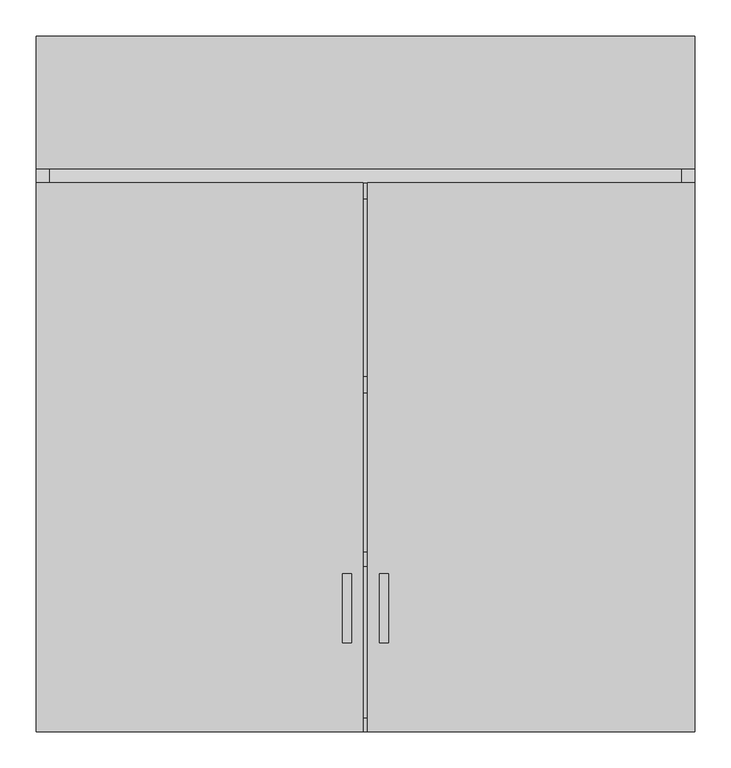
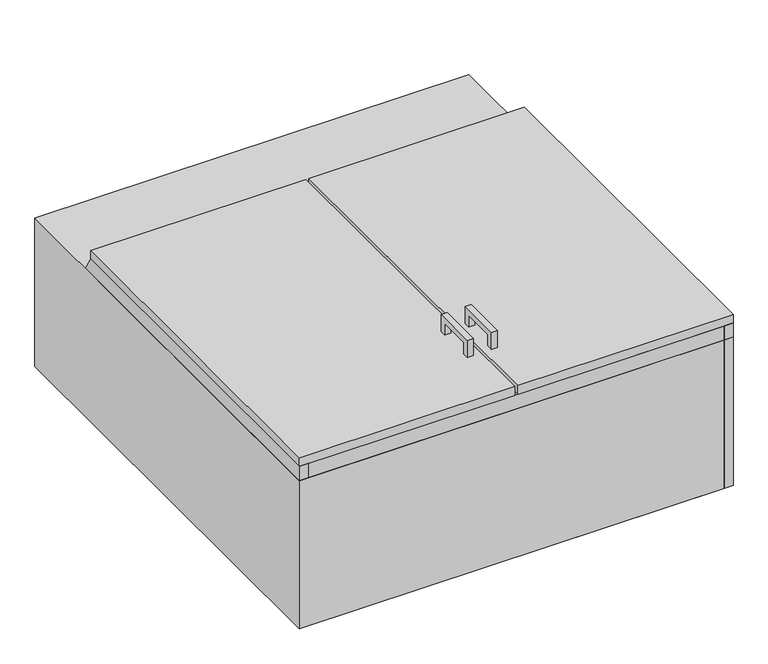
"""IFC4 building model written with IfcOpenShell, lengths in millimetres: proxy geometry."""

from ifc_helpers import new_model, si_unit, frame, origin, origin_with_axes, place, context, project, spatial, polyline, outline, extrude, source, transform, mapped, element, save


def specialty_equipment_0beb8648(model_context):
    return source(origin(), model_context, "Body", "SweptSolid", [
        extrude(outline(polyline([(965.2, 19.05), (943.0563437, 19.05), (739.8563437, 361.95), (762.0, 361.95), (965.2, 19.05)])), frame((-438.15, 0.0, 0.0), z_axis=(1.0, 0.0, 0.0), x_axis=(0.0, 1.0, 0.0)), (0.0, 0.0, 1.0), 876.3),
        extrude(outline(polyline([(219.0655468, 419.0810937), (219.0655468, 381.0), (206.3958968, 381.0), (206.3958968, 406.4114436), (136.5230095, 406.4114436), (136.5230095, 381.0), (123.8533595, 381.0), (123.8533595, 419.0810937), (219.0655468, 419.0810937)])), frame((-31.4565288, 0.0, 0.0), z_axis=(1.0, 0.0, 0.0), x_axis=(0.0, 1.0, 0.0)), (0.0, 0.0, 1.0), 12.4023438),
        extrude(outline(polyline([(219.0655468, 419.0810937), (219.0655468, 381.0), (206.3958968, 381.0), (206.3958968, 406.4114436), (136.5230095, 406.4114436), (136.5230095, 381.0), (123.8533595, 381.0), (123.8533595, 419.0810937), (219.0655468, 419.0810937)])), frame((19.3476563, 0.0, 0.0), z_axis=(1.0, 0.0, 0.0), x_axis=(0.0, 1.0, 0.0)), (0.0, 0.0, 1.0), 12.4023438),
        extrude(outline(polyline([(457.2, 965.2), (457.2, 0.0), (-457.2, 0.0), (-457.2, 965.2), (457.2, 965.2)])), origin_with_axes(), (0.0, 0.0, 1.0), 330.2),
        extrude(outline(polyline([(762.0, 0.0), (0.0, 0.0), (0.0, 361.95), (762.0, 361.95), (965.2, 19.05), (965.2, 0.0), (762.0, 0.0)])), frame((438.15, 0.0, 0.0), z_axis=(1.0, 0.0, 0.0), x_axis=(0.0, 1.0, 0.0)), (0.0, 0.0, 1.0), 19.05),
        extrude(outline(polyline([(965.2, 0.0), (0.0, 0.0), (0.0, 361.95), (762.0, 361.95), (965.2, 19.05), (965.2, 0.0)])), frame((-457.2, 0.0, 0.0), z_axis=(1.0, 0.0, 0.0), x_axis=(0.0, 1.0, 0.0)), (0.0, 0.0, 1.0), 19.05),
        extrude(outline(polyline([(438.15, 470.4491105), (-438.15, 470.4491105), (-438.15, 492.3899118), (438.15, 492.3899118), (438.15, 470.4491105)])), frame((0.0, 0.0, 19.05), z_axis=(0.0, 0.0, 1.0), x_axis=(1.0, 0.0, 0.0)), (0.0, 0.0, 1.0), 342.9),
        extrude(outline(polyline([(438.15, 229.9011198), (-438.15, 229.9011198), (-438.15, 249.0078655), (438.15, 249.0078655), (438.15, 229.9011198)])), frame((0.0, 0.0, 19.05), z_axis=(0.0, 0.0, 1.0), x_axis=(1.0, 0.0, 0.0)), (0.0, 0.0, 1.0), 342.9),
        extrude(outline(polyline([(438.15, 965.2), (438.15, 19.05), (-438.15, 19.05), (-438.15, 965.2), (438.15, 965.2)])), origin_with_axes(), (0.0, 0.0, 1.0), 19.05),
        extrude(outline(polyline([(457.2, 0.0), (3.175, 0.0), (3.175, 762.0), (457.2, 762.0), (457.2, 0.0)])), frame((0.0, 0.0, 361.95), z_axis=(0.0, 0.0, 1.0), x_axis=(1.0, 0.0, 0.0)), (0.0, 0.0, 1.0), 19.05),
        extrude(outline(polyline([(-3.175, 0.0), (-457.2, 0.0), (-457.2, 762.0), (-3.175, 762.0), (-3.175, 0.0)])), frame((0.0, 0.0, 361.95), z_axis=(0.0, 0.0, 1.0), x_axis=(1.0, 0.0, 0.0)), (0.0, 0.0, 1.0), 19.05),
        extrude(outline(polyline([(-438.15, 19.05), (438.15, 19.05), (438.15, 0.0), (-438.15, 0.0), (-438.15, 19.05)])), origin_with_axes(), (0.0, 0.0, 1.0), 361.95),
    ])


if __name__ == "__main__":
    model = new_model("IFC4")
    model_context = context("Model", 3, world=origin())
    ifc_project = project(units=[si_unit("LENGTHUNIT", "METRE", prefix="MILLI")], contexts=[model_context])
    site = spatial("IfcSite", under=ifc_project)
    building = spatial("IfcBuilding", under=site)
    placement = place(None, origin())
    specialty_equipment_shape = specialty_equipment_0beb8648(model_context)
    element("IfcBuildingElementProxy", 1, Name="Specialty Equipment", at=placement, inside=building, context=model_context, shape_type="MappedRepresentation", body=[
        mapped(specialty_equipment_shape, transform((0.0, 0.0, 0.0), x_axis=(1.0, 0.0, 0.0), y_axis=(0.0, 1.0, 0.0), z_axis=(0.0, 0.0, 1.0))),
    ])
    save(model, "model.ifc")
